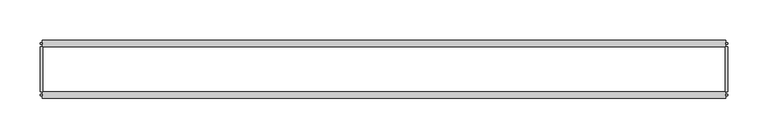
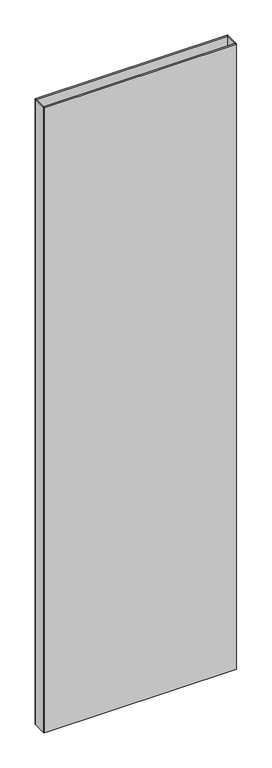
"""IFC4 building model written with IfcOpenShell, lengths in millimetres: plate geometry."""

from ifc_helpers import new_model, si_unit, origin, origin_with_axes, place, context, project, spatial, polyline, outline, extrude, source, transform, mapped, element, save


def plate_128b472f(model_context):
    return source(origin(), model_context, "Body", "SweptSolid", [
        extrude(outline(polyline([(-422.3847577, 27.7), (-422.3847577, -27.7), (-425.3847577, -27.7), (-425.3847577, 27.7), (-422.3847577, 27.7)])), origin_with_axes(), (0.0, 0.0, 1.0), 2915.0),
        extrude(outline(polyline([(425.3847577, 27.7), (425.3847577, -27.7), (422.3847577, -27.7), (422.3847577, 27.7), (425.3847577, 27.7)])), origin_with_axes(), (0.0, 0.0, 1.0), 2915.0),
        extrude(outline(polyline([(-423.3847577, 32.7), (-423.3847577, 30.7), (-425.3847577, 30.7), (-425.3847577, 32.7), (-423.3847577, 32.7)])), origin_with_axes(), (0.0, 0.0, 1.0), 2915.0),
        extrude(outline(polyline([(-423.3847577, -30.7), (-423.3847577, -32.7), (-425.3847577, -32.7), (-425.3847577, -30.7), (-423.3847577, -30.7)])), origin_with_axes(), (0.0, 0.0, 1.0), 2915.0),
        extrude(outline(polyline([(423.3847577, 32.7), (425.3847577, 32.7), (425.3847577, 30.7), (423.3847577, 30.7), (423.3847577, 32.7)])), origin_with_axes(), (0.0, 0.0, 1.0), 2915.0),
        extrude(outline(polyline([(425.3847577, -30.7), (425.3847577, -32.7), (423.3847577, -32.7), (423.3847577, -30.7), (425.3847577, -30.7)])), origin_with_axes(), (0.0, 0.0, 1.0), 2915.0),
        extrude(outline(polyline([(423.3847577, 27.7), (-423.3847577, 27.7), (-423.3847577, 35.7), (423.3847577, 35.7), (423.3847577, 27.7)])), origin_with_axes(), (0.0, 0.0, 1.0), 2915.0),
        extrude(outline(polyline([(-423.3847577, -35.7), (-423.3847577, -27.7), (423.3847577, -27.7), (423.3847577, -35.7), (-423.3847577, -35.7)])), origin_with_axes(), (0.0, 0.0, 1.0), 2915.0),
    ])


if __name__ == "__main__":
    model = new_model("IFC4")
    model_context = context("Model", 3, world=origin())
    ifc_project = project(units=[si_unit("LENGTHUNIT", "METRE", prefix="MILLI")], contexts=[model_context])
    site = spatial("IfcSite", under=ifc_project)
    building = spatial("IfcBuilding", under=site)
    placement = place(None, origin())
    plate_shape = plate_128b472f(model_context)
    element("IfcPlate", 1, at=placement, inside=building, context=model_context, shape_type="MappedRepresentation", body=[
        mapped(plate_shape, transform((0.0, 0.0, 0.0), x_axis=(1.0, 0.0, 0.0), y_axis=(0.0, 1.0, 0.0), z_axis=(0.0, 0.0, 1.0))),
    ])
    save(model, "model.ifc")
